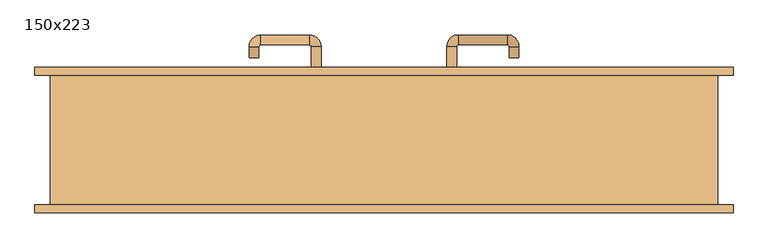
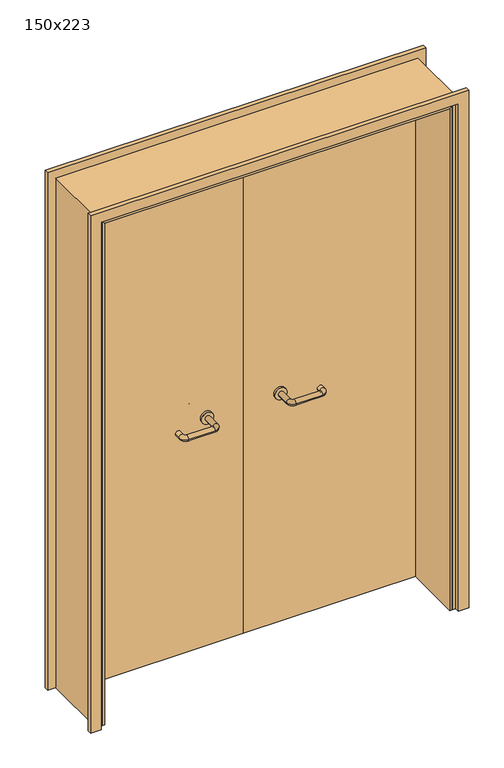
"""IFC4 building model written with IfcOpenShell, lengths in millimetres: door geometry, 150x223."""

from ifc_helpers import new_model, si_unit, point, frame, frame_2d, origin, place, context, project, spatial, polyline, circle_curve, ellipse_curve, trimmed, segment, composite_curve, outline, extrude, faceted_brep, source, transform, mapped, element, save
from ifc_brep_helpers import plane_surface, cylinder_surface, revolved_surface, advanced_brep


def door_150x223_e827530f(model_context):
    return source(origin(), model_context, "Body", "SolidModel", [
        faceted_brep([(-715.0, 98.0, 0.0), (-715.0, -144.0, 0.0), (-725.0, -144.0, 0.0), (-725.0, 98.0, 0.0), (-715.0, 98.0, 2195.0), (-715.0, -144.0, 2195.0), (-725.0, -144.0, 2205.0), (-725.0, 98.0, 2205.0), (715.0, 98.0, 0.0), (725.0, 98.0, 0.0), (725.0, -144.0, 0.0), (715.0, -144.0, 0.0), (715.0, 98.0, 2195.0), (725.0, 98.0, 2205.0), (725.0, -144.0, 2205.0), (715.0, -144.0, 2195.0)], [[[0, 1, 2, 3]], [[1, 0, 4, 5]], [[2, 1, 5, 6]], [[3, 2, 6, 7]], [[0, 3, 7, 4]], [[8, 9, 10, 11]], [[12, 13, 9, 8]], [[13, 14, 10, 9]], [[14, 15, 11, 10]], [[15, 12, 8, 11]], [[5, 4, 12, 15]], [[6, 5, 15, 14]], [[7, 6, 14, 13]], [[4, 7, 13, 12]]]),
        extrude(outline(polyline([(2264.0, 784.0), (2264.0, -784.0), (0.0, -784.0), (0.0, -740.0), (2220.0, -740.0), (2220.0, 740.0), (0.0, 740.0), (0.0, 784.0), (2264.0, 784.0)])), frame((0.0, 145.0, 0.0), z_axis=(0.0, 1.0, 0.0), x_axis=(0.0, 0.0, 1.0)), (0.0, 0.0, 1.0), 18.0),
        extrude(outline(polyline([(2264.0, -784.0), (0.0, -784.0), (0.0, -740.0), (2220.0, -740.0), (2220.0, 740.0), (0.0, 740.0), (0.0, 784.0), (2264.0, 784.0), (2264.0, -784.0)])), frame((0.0, -163.0, 0.0), z_axis=(0.0, 1.0, 0.0), x_axis=(0.0, 0.0, 1.0)), (0.0, 0.0, 1.0), 18.0),
        extrude(outline(polyline([(2230.0, -750.0), (0.0, -750.0), (0.0, -725.0), (2205.0, -725.0), (2205.0, 725.0), (0.0, 725.0), (0.0, 750.0), (2230.0, 750.0), (2230.0, -750.0)])), frame((0.0, -144.0, 0.0), z_axis=(0.0, 1.0, 0.0), x_axis=(0.0, 0.0, 1.0)), (0.0, 0.0, 1.0), 289.0),
        advanced_brep(
        [(140.99898, 91.0, 1003.0), (162.99898, 91.0, 1003.0), (140.99898, 35.6474631, 1003.0), (162.99898, 35.6474631, 1003.0), (166.99898, 31.6474631, 1003.0), (166.99898, 9.6474631, 1003.0), (276.99898, 9.6474631, 1003.0), (276.99898, 31.6474631, 1003.0), (280.99898, 35.6474631, 1003.0), (302.99898, 35.6474631, 1003.0), (302.99898, 53.0, 1003.0), (280.99898, 53.0, 1003.0)],
        [
            (0, 1, circle_curve(frame((151.99898, 91.0, 1003.0), z_axis=(0.0, 1.0, 0.0), x_axis=(1.0, 0.0, 0.0)), 11.0)),
            (1, 0, circle_curve(frame((151.99898, 91.0, 1003.0), z_axis=(0.0, 1.0, 0.0), x_axis=(1.0, 0.0, 0.0)), 11.0)),
            (0, 2),
            (2, 3, circle_curve(frame((151.99898, 35.6474631, 1003.0), z_axis=(0.0, 1.0, 0.0), x_axis=(1.0, 0.0, 0.0)), 11.0)),
            (3, 1),
            (3, 2, circle_curve(frame((151.99898, 35.6474631, 1003.0), z_axis=(0.0, 1.0, 0.0), x_axis=(1.0, 0.0, 0.0)), 11.0)),
            (4, 3, circle_curve(frame((166.99898, 35.6474631, 1003.0), z_axis=(0.0, 0.0, -1.0), x_axis=(-1.0, 0.0, 0.0)), 4.0)),
            (2, 5, circle_curve(frame((166.99898, 35.6474631, 1003.0), z_axis=(0.0, 0.0, 1.0), x_axis=(-1.0, 0.0, 0.0)), 26.0)),
            (5, 4, circle_curve(frame((166.99898, 20.6474631, 1003.0), z_axis=(-1.0, 0.0, 0.0), x_axis=(0.0, 1.0, 0.0)), 11.0)),
            (4, 5, circle_curve(frame((166.99898, 20.6474631, 1003.0), z_axis=(-1.0, 0.0, 0.0), x_axis=(0.0, 1.0, 0.0)), 11.0)),
            (5, 6),
            (6, 7, circle_curve(frame((276.99898, 20.6474631, 1003.0), z_axis=(-1.0, 0.0, 0.0), x_axis=(0.0, 1.0, 0.0)), 11.0)),
            (7, 4),
            (7, 6, circle_curve(frame((276.99898, 20.6474631, 1003.0), z_axis=(-1.0, 0.0, 0.0), x_axis=(0.0, 1.0, 0.0)), 11.0)),
            (8, 7, circle_curve(frame((276.99898, 35.6474631, 1003.0), z_axis=(0.0, 0.0, -1.0), x_axis=(0.0, -1.0, 0.0)), 4.0)),
            (6, 9, circle_curve(frame((276.99898, 35.6474631, 1003.0), z_axis=(0.0, 0.0, 1.0), x_axis=(0.0, -1.0, 0.0)), 26.0)),
            (9, 8, circle_curve(frame((291.99898, 35.6474631, 1003.0), z_axis=(0.0, -1.0, 0.0), x_axis=(-1.0, 0.0, 0.0)), 11.0)),
            (8, 9, circle_curve(frame((291.99898, 35.6474631, 1003.0), z_axis=(0.0, -1.0, 0.0), x_axis=(-1.0, 0.0, 0.0)), 11.0)),
            (10, 11, circle_curve(frame((291.99898, 53.0, 1003.0), z_axis=(0.0, 1.0, 0.0), x_axis=(-1.0, 0.0, 0.0)), 11.0)),
            (11, 10, circle_curve(frame((291.99898, 53.0, 1003.0), z_axis=(0.0, 1.0, 0.0), x_axis=(-1.0, 0.0, 0.0)), 11.0)),
            (9, 10),
            (11, 8),
        ],
        [
            plane_surface(frame((140.99898, 91.0, 1003.0), z_axis=(0.0, 1.0, 0.0), x_axis=(0.0, 0.0, -1.0))),
            cylinder_surface(frame((151.99898, 91.0, 1003.0), z_axis=(0.0, 1.0, 0.0), x_axis=(1.0, 0.0, 0.0)), 11.0),
            revolved_surface(trimmed(ellipse_curve(frame((151.99898, 35.6474631, 1003.0), z_axis=(0.0, 1.0, 0.0), x_axis=(1.0, 0.0, 0.0)), 11.0, 11.0), [point((140.99898, 35.6474631, 1003.0))], [point((162.99898, 35.6474631, 1003.0))], True, "CARTESIAN"), (166.99898, 35.6474631, 1003.0), (0.0, 0.0, 1.0)),
            revolved_surface(trimmed(ellipse_curve(frame((151.99898, 35.6474631, 1003.0), z_axis=(0.0, 1.0, 0.0), x_axis=(1.0, 0.0, 0.0)), 11.0, 11.0), [point((162.99898, 35.6474631, 1003.0))], [point((140.99898, 35.6474631, 1003.0))], True, "CARTESIAN"), (166.99898, 35.6474631, 1003.0), (0.0, 0.0, 1.0)),
            cylinder_surface(frame((166.99898, 20.6474631, 1003.0), z_axis=(-1.0, 0.0, 0.0), x_axis=(0.0, 1.0, 0.0)), 11.0),
            revolved_surface(trimmed(ellipse_curve(frame((276.99898, 20.6474631, 1003.0), z_axis=(-1.0, 0.0, 0.0), x_axis=(0.0, 1.0, 0.0)), 11.0, 11.0), [point((276.99898, 9.6474631, 1003.0))], [point((276.99898, 31.6474631, 1003.0))], True, "CARTESIAN"), (276.99898, 35.6474631, 1003.0), (0.0, 0.0, 1.0)),
            revolved_surface(trimmed(ellipse_curve(frame((276.99898, 20.6474631, 1003.0), z_axis=(-1.0, 0.0, 0.0), x_axis=(0.0, 1.0, 0.0)), 11.0, 11.0), [point((276.99898, 31.6474631, 1003.0))], [point((276.99898, 9.6474631, 1003.0))], True, "CARTESIAN"), (276.99898, 35.6474631, 1003.0), (0.0, 0.0, 1.0)),
            plane_surface(frame((280.99898, 53.0, 1003.0), z_axis=(0.0, 1.0, 0.0), x_axis=(0.0, 0.0, 1.0))),
            cylinder_surface(frame((291.99898, 35.6474631, 1003.0), z_axis=(0.0, -1.0, 0.0), x_axis=(-1.0, 0.0, 0.0)), 11.0),
        ],
        [
            (0, [[1, 2]]),
            (1, [[-1, 3, 4, 5]]),
            (1, [[-2, -5, 6, -3]]),
            (2, [[7, -4, 8, 9]]),
            (3, [[-8, -6, -7, 10]]),
            (4, [[-9, 11, 12, 13]]),
            (4, [[-10, -13, 14, -11]]),
            (5, [[15, -12, 16, 17]]),
            (6, [[-16, -14, -15, 18]]),
            (7, [[19, 20]]),
            (8, [[-17, 21, -20, 22]]),
            (8, [[-18, -22, -19, -21]]),
        ],
    ),
        extrude(outline(composite_curve([segment(trimmed(circle_curve(frame_2d((1003.0, 151.99898)), 25.0), [point((1003.0, 126.99898))], [point((1003.0, 176.99898))], False, "CARTESIAN"), True, "CONTINUOUS"), segment(trimmed(circle_curve(frame_2d((1003.0, 151.99898)), 25.0), [point((1003.0, 176.99898))], [point((1003.0, 126.99898))], False, "CARTESIAN"), True, "CONTINUOUS")], self_intersect=False)), frame((0.0, 91.0, 0.0), z_axis=(0.0, 1.0, 0.0), x_axis=(0.0, 0.0, 1.0)), (0.0, 0.0, 1.0), 10.0),
        advanced_brep(
        [(162.99898, 155.0, 1003.0), (140.99898, 155.0, 1003.0), (162.99898, 210.0, 1003.0), (140.99898, 210.0, 1003.0), (166.99898, 236.0, 1003.0), (166.99898, 214.0, 1003.0), (276.99898, 214.0, 1003.0), (276.99898, 236.0, 1003.0), (302.99898, 210.0, 1003.0), (280.99898, 210.0, 1003.0), (280.99898, 185.0, 1003.0), (302.99898, 185.0, 1003.0)],
        [
            (0, 1, circle_curve(frame((151.99898, 155.0, 1003.0), z_axis=(0.0, -1.0, 0.0), x_axis=(-1.0, 0.0, 0.0)), 11.0)),
            (1, 0, circle_curve(frame((151.99898, 155.0, 1003.0), z_axis=(0.0, -1.0, 0.0), x_axis=(-1.0, 0.0, 0.0)), 11.0)),
            (0, 2),
            (2, 3, circle_curve(frame((151.99898, 210.0, 1003.0), z_axis=(0.0, -1.0, 0.0), x_axis=(-1.0, 0.0, 0.0)), 11.0)),
            (3, 1),
            (3, 2, circle_curve(frame((151.99898, 210.0, 1003.0), z_axis=(0.0, -1.0, 0.0), x_axis=(-1.0, 0.0, 0.0)), 11.0)),
            (4, 3, circle_curve(frame((166.99898, 210.0, 1003.0), z_axis=(0.0, 0.0, 1.0), x_axis=(-1.0, 0.0, 0.0)), 26.0)),
            (2, 5, circle_curve(frame((166.99898, 210.0, 1003.0), z_axis=(0.0, 0.0, -1.0), x_axis=(-1.0, 0.0, 0.0)), 4.0)),
            (5, 4, circle_curve(frame((166.99898, 225.0, 1003.0), z_axis=(-1.0, 0.0, 0.0), x_axis=(0.0, 1.0, 0.0)), 11.0)),
            (4, 5, circle_curve(frame((166.99898, 225.0, 1003.0), z_axis=(-1.0, 0.0, 0.0), x_axis=(0.0, 1.0, 0.0)), 11.0)),
            (5, 6),
            (6, 7, circle_curve(frame((276.99898, 225.0, 1003.0), z_axis=(-1.0, 0.0, 0.0), x_axis=(0.0, 1.0, 0.0)), 11.0)),
            (7, 4),
            (7, 6, circle_curve(frame((276.99898, 225.0, 1003.0), z_axis=(-1.0, 0.0, 0.0), x_axis=(0.0, 1.0, 0.0)), 11.0)),
            (8, 7, circle_curve(frame((276.99898, 210.0, 1003.0), z_axis=(0.0, 0.0, 1.0), x_axis=(0.0, 1.0, 0.0)), 26.0)),
            (6, 9, circle_curve(frame((276.99898, 210.0, 1003.0), z_axis=(0.0, 0.0, -1.0), x_axis=(0.0, 1.0, 0.0)), 4.0)),
            (9, 8, circle_curve(frame((291.99898, 210.0, 1003.0), z_axis=(0.0, 1.0, 0.0), x_axis=(1.0, 0.0, 0.0)), 11.0)),
            (8, 9, circle_curve(frame((291.99898, 210.0, 1003.0), z_axis=(0.0, 1.0, 0.0), x_axis=(1.0, 0.0, 0.0)), 11.0)),
            (10, 11, circle_curve(frame((291.99898, 185.0, 1003.0), z_axis=(0.0, -1.0, 0.0), x_axis=(1.0, 0.0, 0.0)), 11.0)),
            (11, 10, circle_curve(frame((291.99898, 185.0, 1003.0), z_axis=(0.0, -1.0, 0.0), x_axis=(1.0, 0.0, 0.0)), 11.0)),
            (9, 10),
            (11, 8),
        ],
        [
            plane_surface(frame((140.99898, 155.0, 1003.0), z_axis=(0.0, -1.0, 0.0), x_axis=(0.0, 0.0, 1.0))),
            cylinder_surface(frame((151.99898, 155.0, 1003.0), z_axis=(0.0, -1.0, 0.0), x_axis=(-1.0, 0.0, 0.0)), 11.0),
            revolved_surface(trimmed(ellipse_curve(frame((151.99898, 210.0, 1003.0), z_axis=(0.0, -1.0, 0.0), x_axis=(-1.0, 0.0, 0.0)), 11.0, 11.0), [point((162.99898, 210.0, 1003.0))], [point((140.99898, 210.0, 1003.0))], True, "CARTESIAN"), (166.99898, 210.0, 1003.0), (0.0, 0.0, -1.0)),
            revolved_surface(trimmed(ellipse_curve(frame((151.99898, 210.0, 1003.0), z_axis=(0.0, -1.0, 0.0), x_axis=(-1.0, 0.0, 0.0)), 11.0, 11.0), [point((140.99898, 210.0, 1003.0))], [point((162.99898, 210.0, 1003.0))], True, "CARTESIAN"), (166.99898, 210.0, 1003.0), (0.0, 0.0, -1.0)),
            cylinder_surface(frame((166.99898, 225.0, 1003.0), z_axis=(-1.0, 0.0, 0.0), x_axis=(0.0, 1.0, 0.0)), 11.0),
            revolved_surface(trimmed(ellipse_curve(frame((276.99898, 225.0, 1003.0), z_axis=(-1.0, 0.0, 0.0), x_axis=(0.0, 1.0, 0.0)), 11.0, 11.0), [point((276.99898, 214.0, 1003.0))], [point((276.99898, 236.0, 1003.0))], True, "CARTESIAN"), (276.99898, 210.0, 1003.0), (0.0, 0.0, -1.0)),
            revolved_surface(trimmed(ellipse_curve(frame((276.99898, 225.0, 1003.0), z_axis=(-1.0, 0.0, 0.0), x_axis=(0.0, 1.0, 0.0)), 11.0, 11.0), [point((276.99898, 236.0, 1003.0))], [point((276.99898, 214.0, 1003.0))], True, "CARTESIAN"), (276.99898, 210.0, 1003.0), (0.0, 0.0, -1.0)),
            plane_surface(frame((280.99898, 185.0, 1003.0), z_axis=(0.0, -1.0, 0.0), x_axis=(0.0, 0.0, -1.0))),
            cylinder_surface(frame((291.99898, 210.0, 1003.0), z_axis=(0.0, 1.0, 0.0), x_axis=(1.0, 0.0, 0.0)), 11.0),
        ],
        [
            (0, [[1, 2]]),
            (1, [[-1, 3, 4, 5]]),
            (1, [[-2, -5, 6, -3]]),
            (2, [[7, -4, 8, 9]]),
            (3, [[-8, -6, -7, 10]]),
            (4, [[-9, 11, 12, 13]]),
            (4, [[-10, -13, 14, -11]]),
            (5, [[15, -12, 16, 17]]),
            (6, [[-16, -14, -15, 18]]),
            (7, [[19, 20]]),
            (8, [[-17, 21, -20, 22]]),
            (8, [[-18, -22, -19, -21]]),
        ],
    ),
        extrude(outline(composite_curve([segment(trimmed(circle_curve(frame_2d((1003.0, 151.99898)), 25.0), [point((1003.0, 176.99898))], [point((1003.0, 126.99898))], False, "CARTESIAN"), True, "CONTINUOUS"), segment(trimmed(circle_curve(frame_2d((1003.0, 151.99898)), 25.0), [point((1003.0, 126.99898))], [point((1003.0, 176.99898))], False, "CARTESIAN"), True, "CONTINUOUS")], self_intersect=False)), frame((0.0, 145.0, 0.0), z_axis=(0.0, 1.0, 0.0), x_axis=(0.0, 0.0, 1.0)), (0.0, 0.0, 1.0), 10.0),
        advanced_brep(
        [(-162.99898, 90.6886121, 1003.0), (-140.99898, 90.6886121, 1003.0), (-162.99898, 35.2779553, 1003.0), (-140.99898, 35.2779553, 1003.0), (-166.99898, 9.2779553, 1003.0), (-166.99898, 31.2779553, 1003.0), (-276.99898, 31.2779553, 1003.0), (-276.99898, 9.2779553, 1003.0), (-302.99898, 35.2779553, 1003.0), (-280.99898, 35.2779553, 1003.0), (-280.99898, 60.2779553, 1003.0), (-302.99898, 60.2779553, 1003.0)],
        [
            (0, 1, circle_curve(frame((-151.99898, 90.6886121, 1003.0), z_axis=(0.0, 1.0, 0.0), x_axis=(1.0, 0.0, 0.0)), 11.0)),
            (1, 0, circle_curve(frame((-151.99898, 90.6886121, 1003.0), z_axis=(0.0, 1.0, 0.0), x_axis=(1.0, 0.0, 0.0)), 11.0)),
            (0, 2),
            (2, 3, circle_curve(frame((-151.99898, 35.2779553, 1003.0), z_axis=(0.0, 1.0, 0.0), x_axis=(1.0, 0.0, 0.0)), 11.0)),
            (3, 1),
            (3, 2, circle_curve(frame((-151.99898, 35.2779553, 1003.0), z_axis=(0.0, 1.0, 0.0), x_axis=(1.0, 0.0, 0.0)), 11.0)),
            (4, 3, circle_curve(frame((-166.99898, 35.2779553, 1003.0), z_axis=(0.0, 0.0, 1.0), x_axis=(1.0, 0.0, 0.0)), 26.0)),
            (2, 5, circle_curve(frame((-166.99898, 35.2779553, 1003.0), z_axis=(0.0, 0.0, -1.0), x_axis=(1.0, 0.0, 0.0)), 4.0)),
            (5, 4, circle_curve(frame((-166.99898, 20.2779553, 1003.0), z_axis=(1.0, 0.0, 0.0), x_axis=(0.0, -1.0, 0.0)), 11.0)),
            (4, 5, circle_curve(frame((-166.99898, 20.2779553, 1003.0), z_axis=(1.0, 0.0, 0.0), x_axis=(0.0, -1.0, 0.0)), 11.0)),
            (5, 6),
            (6, 7, circle_curve(frame((-276.99898, 20.2779553, 1003.0), z_axis=(1.0, 0.0, 0.0), x_axis=(0.0, -1.0, 0.0)), 11.0)),
            (7, 4),
            (7, 6, circle_curve(frame((-276.99898, 20.2779553, 1003.0), z_axis=(1.0, 0.0, 0.0), x_axis=(0.0, -1.0, 0.0)), 11.0)),
            (8, 7, circle_curve(frame((-276.99898, 35.2779553, 1003.0), z_axis=(0.0, 0.0, 1.0), x_axis=(0.0, -1.0, 0.0)), 26.0)),
            (6, 9, circle_curve(frame((-276.99898, 35.2779553, 1003.0), z_axis=(0.0, 0.0, -1.0), x_axis=(0.0, -1.0, 0.0)), 4.0)),
            (9, 8, circle_curve(frame((-291.99898, 35.2779553, 1003.0), z_axis=(0.0, -1.0, 0.0), x_axis=(-1.0, 0.0, 0.0)), 11.0)),
            (8, 9, circle_curve(frame((-291.99898, 35.2779553, 1003.0), z_axis=(0.0, -1.0, 0.0), x_axis=(-1.0, 0.0, 0.0)), 11.0)),
            (10, 11, circle_curve(frame((-291.99898, 60.2779553, 1003.0), z_axis=(0.0, 1.0, 0.0), x_axis=(-1.0, 0.0, 0.0)), 11.0)),
            (11, 10, circle_curve(frame((-291.99898, 60.2779553, 1003.0), z_axis=(0.0, 1.0, 0.0), x_axis=(-1.0, 0.0, 0.0)), 11.0)),
            (9, 10),
            (11, 8),
        ],
        [
            plane_surface(frame((-162.99898, 90.6886121, 1003.0), z_axis=(0.0, 1.0, 0.0), x_axis=(0.0, 0.0, -1.0))),
            cylinder_surface(frame((-151.99898, 90.6886121, 1003.0), z_axis=(0.0, 1.0, 0.0), x_axis=(1.0, 0.0, 0.0)), 11.0),
            revolved_surface(trimmed(ellipse_curve(frame((-151.99898, 35.2779553, 1003.0), z_axis=(0.0, 1.0, 0.0), x_axis=(1.0, 0.0, 0.0)), 11.0, 11.0), [point((-162.99898, 35.2779553, 1003.0))], [point((-140.99898, 35.2779553, 1003.0))], True, "CARTESIAN"), (-166.99898, 35.2779553, 1003.0), (0.0, 0.0, -1.0)),
            revolved_surface(trimmed(ellipse_curve(frame((-151.99898, 35.2779553, 1003.0), z_axis=(0.0, 1.0, 0.0), x_axis=(1.0, 0.0, 0.0)), 11.0, 11.0), [point((-140.99898, 35.2779553, 1003.0))], [point((-162.99898, 35.2779553, 1003.0))], True, "CARTESIAN"), (-166.99898, 35.2779553, 1003.0), (0.0, 0.0, -1.0)),
            cylinder_surface(frame((-166.99898, 20.2779553, 1003.0), z_axis=(1.0, 0.0, 0.0), x_axis=(0.0, -1.0, 0.0)), 11.0),
            revolved_surface(trimmed(ellipse_curve(frame((-276.99898, 20.2779553, 1003.0), z_axis=(1.0, 0.0, 0.0), x_axis=(0.0, -1.0, 0.0)), 11.0, 11.0), [point((-276.99898, 31.2779553, 1003.0))], [point((-276.99898, 9.2779553, 1003.0))], True, "CARTESIAN"), (-276.99898, 35.2779553, 1003.0), (0.0, 0.0, -1.0)),
            revolved_surface(trimmed(ellipse_curve(frame((-276.99898, 20.2779553, 1003.0), z_axis=(1.0, 0.0, 0.0), x_axis=(0.0, -1.0, 0.0)), 11.0, 11.0), [point((-276.99898, 9.2779553, 1003.0))], [point((-276.99898, 31.2779553, 1003.0))], True, "CARTESIAN"), (-276.99898, 35.2779553, 1003.0), (0.0, 0.0, -1.0)),
            plane_surface(frame((-302.99898, 60.2779553, 1003.0), z_axis=(0.0, 1.0, 0.0), x_axis=(0.0, 0.0, 1.0))),
            cylinder_surface(frame((-291.99898, 35.2779553, 1003.0), z_axis=(0.0, -1.0, 0.0), x_axis=(-1.0, 0.0, 0.0)), 11.0),
        ],
        [
            (0, [[1, 2]]),
            (1, [[-1, 3, 4, 5]]),
            (1, [[-2, -5, 6, -3]]),
            (2, [[7, -4, 8, 9]]),
            (3, [[-8, -6, -7, 10]]),
            (4, [[-9, 11, 12, 13]]),
            (4, [[-10, -13, 14, -11]]),
            (5, [[15, -12, 16, 17]]),
            (6, [[-16, -14, -15, 18]]),
            (7, [[19, 20]]),
            (8, [[-17, 21, -20, 22]]),
            (8, [[-18, -22, -19, -21]]),
        ],
    ),
        extrude(outline(composite_curve([segment(trimmed(circle_curve(frame_2d((1003.0, -151.99898)), 25.0), [point((1003.0, -176.99898))], [point((1003.0, -126.99898))], False, "CARTESIAN"), True, "CONTINUOUS"), segment(trimmed(circle_curve(frame_2d((1003.0, -151.99898)), 25.0), [point((1003.0, -126.99898))], [point((1003.0, -176.99898))], False, "CARTESIAN"), True, "CONTINUOUS")], self_intersect=False)), frame((0.0, 90.6886121, 0.0), z_axis=(0.0, 1.0, 0.0), x_axis=(0.0, 0.0, 1.0)), (0.0, 0.0, 1.0), 10.3113879),
        advanced_brep(
        [(-140.99898, 154.5143417, 1003.0), (-162.99898, 154.5143417, 1003.0), (-140.99898, 209.6104656, 1003.0), (-162.99898, 209.6104656, 1003.0), (-166.99898, 213.6104656, 1003.0), (-166.99898, 235.6104656, 1003.0), (-276.99898, 235.6104656, 1003.0), (-276.99898, 213.6104656, 1003.0), (-280.99898, 209.6104656, 1003.0), (-302.99898, 209.6104656, 1003.0), (-302.99898, 184.6104656, 1003.0), (-280.99898, 184.6104656, 1003.0)],
        [
            (0, 1, circle_curve(frame((-151.99898, 154.5143417, 1003.0), z_axis=(0.0, -1.0, 0.0), x_axis=(-1.0, 0.0, 0.0)), 11.0)),
            (1, 0, circle_curve(frame((-151.99898, 154.5143417, 1003.0), z_axis=(0.0, -1.0, 0.0), x_axis=(-1.0, 0.0, 0.0)), 11.0)),
            (0, 2),
            (2, 3, circle_curve(frame((-151.99898, 209.6104656, 1003.0), z_axis=(0.0, -1.0, 0.0), x_axis=(-1.0, 0.0, 0.0)), 11.0)),
            (3, 1),
            (3, 2, circle_curve(frame((-151.99898, 209.6104656, 1003.0), z_axis=(0.0, -1.0, 0.0), x_axis=(-1.0, 0.0, 0.0)), 11.0)),
            (4, 3, circle_curve(frame((-166.99898, 209.6104656, 1003.0), z_axis=(0.0, 0.0, -1.0), x_axis=(1.0, 0.0, 0.0)), 4.0)),
            (2, 5, circle_curve(frame((-166.99898, 209.6104656, 1003.0), z_axis=(0.0, 0.0, 1.0), x_axis=(1.0, 0.0, 0.0)), 26.0)),
            (5, 4, circle_curve(frame((-166.99898, 224.6104656, 1003.0), z_axis=(1.0, 0.0, 0.0), x_axis=(0.0, -1.0, 0.0)), 11.0)),
            (4, 5, circle_curve(frame((-166.99898, 224.6104656, 1003.0), z_axis=(1.0, 0.0, 0.0), x_axis=(0.0, -1.0, 0.0)), 11.0)),
            (5, 6),
            (6, 7, circle_curve(frame((-276.99898, 224.6104656, 1003.0), z_axis=(1.0, 0.0, 0.0), x_axis=(0.0, -1.0, 0.0)), 11.0)),
            (7, 4),
            (7, 6, circle_curve(frame((-276.99898, 224.6104656, 1003.0), z_axis=(1.0, 0.0, 0.0), x_axis=(0.0, -1.0, 0.0)), 11.0)),
            (8, 7, circle_curve(frame((-276.99898, 209.6104656, 1003.0), z_axis=(0.0, 0.0, -1.0), x_axis=(0.0, 1.0, 0.0)), 4.0)),
            (6, 9, circle_curve(frame((-276.99898, 209.6104656, 1003.0), z_axis=(0.0, 0.0, 1.0), x_axis=(0.0, 1.0, 0.0)), 26.0)),
            (9, 8, circle_curve(frame((-291.99898, 209.6104656, 1003.0), z_axis=(0.0, 1.0, 0.0), x_axis=(1.0, 0.0, 0.0)), 11.0)),
            (8, 9, circle_curve(frame((-291.99898, 209.6104656, 1003.0), z_axis=(0.0, 1.0, 0.0), x_axis=(1.0, 0.0, 0.0)), 11.0)),
            (10, 11, circle_curve(frame((-291.99898, 184.6104656, 1003.0), z_axis=(0.0, -1.0, 0.0), x_axis=(1.0, 0.0, 0.0)), 11.0)),
            (11, 10, circle_curve(frame((-291.99898, 184.6104656, 1003.0), z_axis=(0.0, -1.0, 0.0), x_axis=(1.0, 0.0, 0.0)), 11.0)),
            (9, 10),
            (11, 8),
        ],
        [
            plane_surface(frame((-162.99898, 154.5143417, 1003.0), z_axis=(0.0, -1.0, 0.0), x_axis=(0.0, 0.0, 1.0))),
            cylinder_surface(frame((-151.99898, 154.5143417, 1003.0), z_axis=(0.0, -1.0, 0.0), x_axis=(-1.0, 0.0, 0.0)), 11.0),
            revolved_surface(trimmed(ellipse_curve(frame((-151.99898, 209.6104656, 1003.0), z_axis=(0.0, -1.0, 0.0), x_axis=(-1.0, 0.0, 0.0)), 11.0, 11.0), [point((-140.99898, 209.6104656, 1003.0))], [point((-162.99898, 209.6104656, 1003.0))], True, "CARTESIAN"), (-166.99898, 209.6104656, 1003.0), (0.0, 0.0, 1.0)),
            revolved_surface(trimmed(ellipse_curve(frame((-151.99898, 209.6104656, 1003.0), z_axis=(0.0, -1.0, 0.0), x_axis=(-1.0, 0.0, 0.0)), 11.0, 11.0), [point((-162.99898, 209.6104656, 1003.0))], [point((-140.99898, 209.6104656, 1003.0))], True, "CARTESIAN"), (-166.99898, 209.6104656, 1003.0), (0.0, 0.0, 1.0)),
            cylinder_surface(frame((-166.99898, 224.6104656, 1003.0), z_axis=(1.0, 0.0, 0.0), x_axis=(0.0, -1.0, 0.0)), 11.0),
            revolved_surface(trimmed(ellipse_curve(frame((-276.99898, 224.6104656, 1003.0), z_axis=(1.0, 0.0, 0.0), x_axis=(0.0, -1.0, 0.0)), 11.0, 11.0), [point((-276.99898, 235.6104656, 1003.0))], [point((-276.99898, 213.6104656, 1003.0))], True, "CARTESIAN"), (-276.99898, 209.6104656, 1003.0), (0.0, 0.0, 1.0)),
            revolved_surface(trimmed(ellipse_curve(frame((-276.99898, 224.6104656, 1003.0), z_axis=(1.0, 0.0, 0.0), x_axis=(0.0, -1.0, 0.0)), 11.0, 11.0), [point((-276.99898, 213.6104656, 1003.0))], [point((-276.99898, 235.6104656, 1003.0))], True, "CARTESIAN"), (-276.99898, 209.6104656, 1003.0), (0.0, 0.0, 1.0)),
            plane_surface(frame((-302.99898, 184.6104656, 1003.0), z_axis=(0.0, -1.0, 0.0), x_axis=(0.0, 0.0, -1.0))),
            cylinder_surface(frame((-291.99898, 209.6104656, 1003.0), z_axis=(0.0, 1.0, 0.0), x_axis=(1.0, 0.0, 0.0)), 11.0),
        ],
        [
            (0, [[1, 2]]),
            (1, [[-1, 3, 4, 5]]),
            (1, [[-2, -5, 6, -3]]),
            (2, [[7, -4, 8, 9]]),
            (3, [[-8, -6, -7, 10]]),
            (4, [[-9, 11, 12, 13]]),
            (4, [[-10, -13, 14, -11]]),
            (5, [[15, -12, 16, 17]]),
            (6, [[-16, -14, -15, 18]]),
            (7, [[19, 20]]),
            (8, [[-17, 21, -20, 22]]),
            (8, [[-18, -22, -19, -21]]),
        ],
    ),
        extrude(outline(composite_curve([segment(trimmed(circle_curve(frame_2d((1003.0, -151.99898)), 25.0), [point((1003.0, -126.99898))], [point((1003.0, -176.99898))], False, "CARTESIAN"), True, "CONTINUOUS"), segment(trimmed(circle_curve(frame_2d((1003.0, -151.99898)), 25.0), [point((1003.0, -176.99898))], [point((1003.0, -126.99898))], False, "CARTESIAN"), True, "CONTINUOUS")], self_intersect=False)), frame((0.0, 145.0, 0.0), z_axis=(0.0, 1.0, 0.0), x_axis=(0.0, 0.0, 1.0)), (0.0, 0.0, 1.0), 9.5143417),
        extrude(outline(polyline([(1.0739506, 101.0), (-722.0, 101.0), (-722.0, 145.0), (1.0739506, 145.0), (1.0739506, 101.0)])), frame((0.0, 0.0, 1.753223), z_axis=(0.0, 0.0, 1.0), x_axis=(1.0, 0.0, 0.0)), (0.0, 0.0, 1.0), 2203.246777),
        extrude(outline(polyline([(722.0, 101.0), (1.0739506, 101.0), (1.0739506, 145.0), (722.0, 145.0), (722.0, 101.0)])), frame((0.0, 0.0, 1.753223), z_axis=(0.0, 0.0, 1.0), x_axis=(1.0, 0.0, 0.0)), (0.0, 0.0, 1.0), 2203.246777),
    ])


if __name__ == "__main__":
    model = new_model("IFC4")
    model_context = context("Model", 3, world=origin())
    ifc_project = project(units=[si_unit("LENGTHUNIT", "METRE", prefix="MILLI")], contexts=[model_context])
    site = spatial("IfcSite", under=ifc_project)
    building = spatial("IfcBuilding", under=site)
    placement = place(None, origin())
    door_150x223_shape = door_150x223_e827530f(model_context)
    element("IfcDoor", 1, ObjectType="150x223", at=placement, inside=building, context=model_context, shape_type="MappedRepresentation", body=[
        mapped(door_150x223_shape, transform((0.0, 0.0, 0.0), x_axis=(1.0, 0.0, 0.0), y_axis=(0.0, 1.0, 0.0), z_axis=(0.0, 0.0, 1.0))),
    ])
    save(model, "model.ifc")
